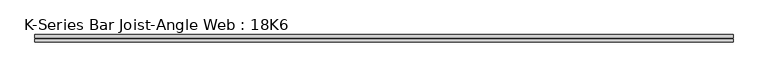
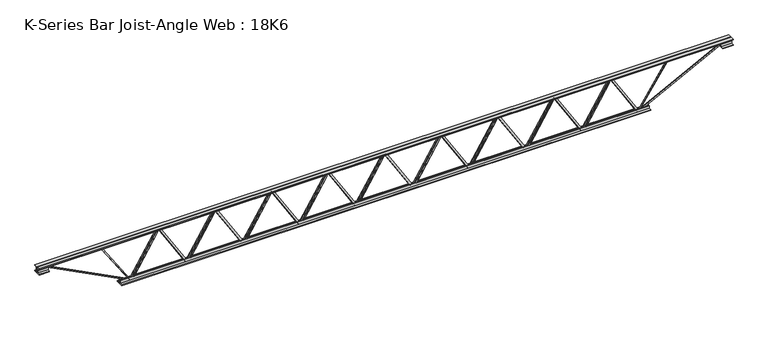
"""IFC4 building model written with IfcOpenShell, lengths in millimetres: beam geometry, K-Series Bar Joist-Angle Web : 18K6."""

from ifc_helpers import new_model, si_unit, frame, origin, place, context, project, spatial, polyline, outline, extrude, faceted_brep, source, transform, mapped, element, save


def k_series_bar_joist_angle_web_18k6_aa55eb6b(model_context):
    return source(origin(), model_context, "Body", "SolidModel", [
        extrude(outline(polyline([(-4.7625, 4.7625), (-4.7625, 0.0), (-17.4625, 0.0), (-17.4625, 4.7625), (-4.7625, 4.7625)])), frame((1916.4548718, 0.0, -190.5), z_axis=(-0.5242332806214118, 0.0, 0.8515746987134554), x_axis=(0.0, -1.0, 0.0)), (0.0, 0.0, 1.0), 447.4064349),
        extrude(outline(polyline([(-225.425, 1949.6263889), (-206.375, 1949.6263889), (-206.375, 1948.5979162), (225.425, 1682.7798606), (225.425, 1664.7583333), (206.375, 1664.7583333), (206.375, 1672.136806), (-225.425, 1937.9548616), (-225.425, 1949.6263889)])), frame((0.0, 0.0, 0.0), z_axis=(0.0, 1.0, 0.0), x_axis=(0.0, 0.0, 1.0)), (0.0, 0.0, 1.0), 4.7625),
        faceted_brep([(1392.5902778, 0.0, -206.375), (1392.5902778, 0.0, -225.425), (1392.5902778, -4.7625, -225.425), (1392.5902778, -4.7625, -206.375), (1393.6187505, 0.0, -206.375), (1659.436806, 0.0, 225.425), (1677.4583333, 0.0, 225.425), (1677.4583333, 0.0, 206.375), (1670.0798606, 0.0, 206.375), (1404.2618051, 0.0, -225.425), (1404.2618051, -4.7625, -225.425), (1425.7617949, -4.7625, -190.5), (1421.7061704, -4.7625, -188.003339), (1656.2515135, -4.7625, 192.996661), (1660.307138, -4.7625, 190.5), (1670.0798606, -4.7625, 206.375), (1677.4583333, -4.7625, 206.375), (1677.4583333, -4.7625, 225.425), (1659.436806, -4.7625, 225.425), (1393.6187505, -4.7625, -206.375), (1660.307138, -17.4625, 190.5), (1425.7617949, -17.4625, -190.5), (1421.7061704, -17.4625, -188.003339), (1656.2515135, -17.4625, 192.996661)], [[[0, 1, 2, 3]], [[1, 0, 4, 5, 6, 7, 8, 9]], [[2, 1, 9, 10]], [[3, 2, 10, 11, 12, 13, 14, 15, 16, 17, 18, 19]], [[0, 3, 19, 4]], [[9, 8, 15, 14, 20, 21, 11, 10]], [[5, 4, 19, 18]], [[7, 6, 17, 16]], [[8, 7, 16, 15]], [[6, 5, 18, 17]], [[21, 22, 12, 11]], [[20, 14, 13, 23]], [[22, 21, 20, 23]], [[12, 22, 23, 13]]]),
        extrude(outline(polyline([(-4.7625, 4.7625), (-4.7625, 0.0), (-17.4625, 0.0), (-17.4625, 4.7625), (-4.7625, 4.7625)])), frame((1359.4187607, 0.0, -190.5), z_axis=(-0.5242332806214118, 0.0, 0.8515746987134554), x_axis=(0.0, -1.0, 0.0)), (0.0, 0.0, 1.0), 447.4064349),
        extrude(outline(polyline([(-225.425, 1392.5902778), (-206.375, 1392.5902778), (-206.375, 1391.5618051), (225.425, 1125.7437495), (225.425, 1107.7222222), (206.375, 1107.7222222), (206.375, 1115.1006949), (-225.425, 1380.9187505), (-225.425, 1392.5902778)])), frame((0.0, 0.0, 0.0), z_axis=(0.0, 1.0, 0.0), x_axis=(0.0, 0.0, 1.0)), (0.0, 0.0, 1.0), 4.7625),
        faceted_brep([(835.5541667, 0.0, -206.375), (835.5541667, 0.0, -225.425), (835.5541667, -4.7625, -225.425), (835.5541667, -4.7625, -206.375), (836.5826394, 0.0, -206.375), (1102.4006949, 0.0, 225.425), (1120.4222222, 0.0, 225.425), (1120.4222222, 0.0, 206.375), (1113.0437495, 0.0, 206.375), (847.225694, 0.0, -225.425), (847.225694, -4.7625, -225.425), (868.7256837, -4.7625, -190.5), (864.6700592, -4.7625, -188.003339), (1099.2154024, -4.7625, 192.996661), (1103.2710269, -4.7625, 190.5), (1113.0437495, -4.7625, 206.375), (1120.4222222, -4.7625, 206.375), (1120.4222222, -4.7625, 225.425), (1102.4006949, -4.7625, 225.425), (836.5826394, -4.7625, -206.375), (1103.2710269, -17.4625, 190.5), (868.7256837, -17.4625, -190.5), (864.6700592, -17.4625, -188.003339), (1099.2154024, -17.4625, 192.996661)], [[[0, 1, 2, 3]], [[1, 0, 4, 5, 6, 7, 8, 9]], [[2, 1, 9, 10]], [[3, 2, 10, 11, 12, 13, 14, 15, 16, 17, 18, 19]], [[0, 3, 19, 4]], [[9, 8, 15, 14, 20, 21, 11, 10]], [[5, 4, 19, 18]], [[7, 6, 17, 16]], [[8, 7, 16, 15]], [[6, 5, 18, 17]], [[21, 22, 12, 11]], [[20, 14, 13, 23]], [[22, 21, 20, 23]], [[12, 22, 23, 13]]]),
        extrude(outline(polyline([(-4.7625, 4.7625), (-4.7625, 0.0), (-17.4625, 0.0), (-17.4625, 4.7625), (-4.7625, 4.7625)])), frame((802.3826496, 0.0, -190.5), z_axis=(-0.5242332806214118, 0.0, 0.8515746987134554), x_axis=(0.0, -1.0, 0.0)), (0.0, 0.0, 1.0), 447.4064349),
        extrude(outline(polyline([(-225.425, 835.5541667), (-206.375, 835.5541667), (-206.375, 834.525694), (225.425, 568.7076384), (225.425, 550.6861111), (206.375, 550.6861111), (206.375, 558.0645838), (-225.425, 823.8826394), (-225.425, 835.5541667)])), frame((0.0, 0.0, 0.0), z_axis=(0.0, 1.0, 0.0), x_axis=(0.0, 0.0, 1.0)), (0.0, 0.0, 1.0), 4.7625),
        faceted_brep([(278.5180556, 0.0, -206.375), (278.5180556, 0.0, -225.425), (278.5180556, -4.7625, -225.425), (278.5180556, -4.7625, -206.375), (279.5465283, 0.0, -206.375), (545.3645838, 0.0, 225.425), (563.3861111, 0.0, 225.425), (563.3861111, 0.0, 206.375), (556.0076384, 0.0, 206.375), (290.1895828, 0.0, -225.425), (290.1895828, -4.7625, -225.425), (311.6895726, -4.7625, -190.5), (307.6339481, -4.7625, -188.003339), (542.1792913, -4.7625, 192.996661), (546.2349158, -4.7625, 190.5), (556.0076384, -4.7625, 206.375), (563.3861111, -4.7625, 206.375), (563.3861111, -4.7625, 225.425), (545.3645838, -4.7625, 225.425), (279.5465283, -4.7625, -206.375), (546.2349158, -17.4625, 190.5), (311.6895726, -17.4625, -190.5), (307.6339481, -17.4625, -188.003339), (542.1792913, -17.4625, 192.996661)], [[[0, 1, 2, 3]], [[1, 0, 4, 5, 6, 7, 8, 9]], [[2, 1, 9, 10]], [[3, 2, 10, 11, 12, 13, 14, 15, 16, 17, 18, 19]], [[0, 3, 19, 4]], [[9, 8, 15, 14, 20, 21, 11, 10]], [[5, 4, 19, 18]], [[7, 6, 17, 16]], [[8, 7, 16, 15]], [[6, 5, 18, 17]], [[21, 22, 12, 11]], [[20, 14, 13, 23]], [[22, 21, 20, 23]], [[12, 22, 23, 13]]]),
        extrude(outline(polyline([(-4.7625, 4.7625), (-4.7625, 0.0), (-17.4625, 0.0), (-17.4625, 4.7625), (-4.7625, 4.7625)])), frame((245.3465385, 0.0, -190.5), z_axis=(-0.5242332806214118, 0.0, 0.8515746987134554), x_axis=(0.0, -1.0, 0.0)), (0.0, 0.0, 1.0), 447.4064349),
        extrude(outline(polyline([(-225.425, 278.5180556), (-206.375, 278.5180556), (-206.375, 277.4895828), (225.425, 11.6715273), (225.425, -6.35), (206.375, -6.35), (206.375, 1.0284727), (-225.425, 266.8465283), (-225.425, 278.5180556)])), frame((0.0, 0.0, 0.0), z_axis=(0.0, 1.0, 0.0), x_axis=(0.0, 0.0, 1.0)), (0.0, 0.0, 1.0), 4.7625),
        faceted_brep([(-278.5180556, 0.0, -206.375), (-278.5180556, 0.0, -225.425), (-278.5180556, -4.7625, -225.425), (-278.5180556, -4.7625, -206.375), (-277.4895828, 0.0, -206.375), (-11.6715273, 0.0, 225.425), (6.35, 0.0, 225.425), (6.35, 0.0, 206.375), (-1.0284727, 0.0, 206.375), (-266.8465283, 0.0, -225.425), (-266.8465283, -4.7625, -225.425), (-245.3465385, -4.7625, -190.5), (-249.402163, -4.7625, -188.003339), (-14.8568198, -4.7625, 192.996661), (-10.8011953, -4.7625, 190.5), (-1.0284727, -4.7625, 206.375), (6.35, -4.7625, 206.375), (6.35, -4.7625, 225.425), (-11.6715273, -4.7625, 225.425), (-277.4895828, -4.7625, -206.375), (-10.8011953, -17.4625, 190.5), (-245.3465385, -17.4625, -190.5), (-249.402163, -17.4625, -188.003339), (-14.8568198, -17.4625, 192.996661)], [[[0, 1, 2, 3]], [[1, 0, 4, 5, 6, 7, 8, 9]], [[2, 1, 9, 10]], [[3, 2, 10, 11, 12, 13, 14, 15, 16, 17, 18, 19]], [[0, 3, 19, 4]], [[9, 8, 15, 14, 20, 21, 11, 10]], [[5, 4, 19, 18]], [[7, 6, 17, 16]], [[8, 7, 16, 15]], [[6, 5, 18, 17]], [[21, 22, 12, 11]], [[20, 14, 13, 23]], [[22, 21, 20, 23]], [[12, 22, 23, 13]]]),
        extrude(outline(polyline([(-4.7625, 4.7625), (-4.7625, 0.0), (-17.4625, 0.0), (-17.4625, 4.7625), (-4.7625, 4.7625)])), frame((-311.6895726, 0.0, -190.5), z_axis=(-0.5242332806214118, 0.0, 0.8515746987134554), x_axis=(0.0, -1.0, 0.0)), (0.0, 0.0, 1.0), 447.4064349),
        extrude(outline(polyline([(-225.425, -278.5180556), (-206.375, -278.5180556), (-206.375, -279.5465283), (225.425, -545.3645838), (225.425, -563.3861111), (206.375, -563.3861111), (206.375, -556.0076384), (-225.425, -290.1895828), (-225.425, -278.5180556)])), frame((0.0, 0.0, 0.0), z_axis=(0.0, 1.0, 0.0), x_axis=(0.0, 0.0, 1.0)), (0.0, 0.0, 1.0), 4.7625),
        faceted_brep([(-835.5541667, 0.0, -206.375), (-835.5541667, 0.0, -225.425), (-835.5541667, -4.7625, -225.425), (-835.5541667, -4.7625, -206.375), (-834.525694, 0.0, -206.375), (-568.7076384, 0.0, 225.425), (-550.6861111, 0.0, 225.425), (-550.6861111, 0.0, 206.375), (-558.0645838, 0.0, 206.375), (-823.8826394, 0.0, -225.425), (-823.8826394, -4.7625, -225.425), (-802.3826496, -4.7625, -190.5), (-806.4382741, -4.7625, -188.003339), (-571.892931, -4.7625, 192.996661), (-567.8373064, -4.7625, 190.5), (-558.0645838, -4.7625, 206.375), (-550.6861111, -4.7625, 206.375), (-550.6861111, -4.7625, 225.425), (-568.7076384, -4.7625, 225.425), (-834.525694, -4.7625, -206.375), (-567.8373064, -17.4625, 190.5), (-802.3826496, -17.4625, -190.5), (-806.4382741, -17.4625, -188.003339), (-571.892931, -17.4625, 192.996661)], [[[0, 1, 2, 3]], [[1, 0, 4, 5, 6, 7, 8, 9]], [[2, 1, 9, 10]], [[3, 2, 10, 11, 12, 13, 14, 15, 16, 17, 18, 19]], [[0, 3, 19, 4]], [[9, 8, 15, 14, 20, 21, 11, 10]], [[5, 4, 19, 18]], [[7, 6, 17, 16]], [[8, 7, 16, 15]], [[6, 5, 18, 17]], [[21, 22, 12, 11]], [[20, 14, 13, 23]], [[22, 21, 20, 23]], [[12, 22, 23, 13]]]),
        extrude(outline(polyline([(-4.7625, 4.7625), (-4.7625, 0.0), (-17.4625, 0.0), (-17.4625, 4.7625), (-4.7625, 4.7625)])), frame((-868.7256837, 0.0, -190.5), z_axis=(-0.5242332806214118, 0.0, 0.8515746987134554), x_axis=(0.0, -1.0, 0.0)), (0.0, 0.0, 1.0), 447.4064349),
        extrude(outline(polyline([(-225.425, -835.5541667), (-206.375, -835.5541667), (-206.375, -836.5826394), (225.425, -1102.4006949), (225.425, -1120.4222222), (206.375, -1120.4222222), (206.375, -1113.0437495), (-225.425, -847.225694), (-225.425, -835.5541667)])), frame((0.0, 0.0, 0.0), z_axis=(0.0, 1.0, 0.0), x_axis=(0.0, 0.0, 1.0)), (0.0, 0.0, 1.0), 4.7625),
        faceted_brep([(-1392.5902778, 0.0, -206.375), (-1392.5902778, 0.0, -225.425), (-1392.5902778, -4.7625, -225.425), (-1392.5902778, -4.7625, -206.375), (-1391.5618051, 0.0, -206.375), (-1125.7437495, 0.0, 225.425), (-1107.7222222, 0.0, 225.425), (-1107.7222222, 0.0, 206.375), (-1115.1006949, 0.0, 206.375), (-1380.9187505, 0.0, -225.425), (-1380.9187505, -4.7625, -225.425), (-1359.4187607, -4.7625, -190.5), (-1363.4743852, -4.7625, -188.003339), (-1128.9290421, -4.7625, 192.996661), (-1124.8734176, -4.7625, 190.5), (-1115.1006949, -4.7625, 206.375), (-1107.7222222, -4.7625, 206.375), (-1107.7222222, -4.7625, 225.425), (-1125.7437495, -4.7625, 225.425), (-1391.5618051, -4.7625, -206.375), (-1124.8734176, -17.4625, 190.5), (-1359.4187607, -17.4625, -190.5), (-1363.4743852, -17.4625, -188.003339), (-1128.9290421, -17.4625, 192.996661)], [[[0, 1, 2, 3]], [[1, 0, 4, 5, 6, 7, 8, 9]], [[2, 1, 9, 10]], [[3, 2, 10, 11, 12, 13, 14, 15, 16, 17, 18, 19]], [[0, 3, 19, 4]], [[9, 8, 15, 14, 20, 21, 11, 10]], [[5, 4, 19, 18]], [[7, 6, 17, 16]], [[8, 7, 16, 15]], [[6, 5, 18, 17]], [[21, 22, 12, 11]], [[20, 14, 13, 23]], [[22, 21, 20, 23]], [[12, 22, 23, 13]]]),
        extrude(outline(polyline([(-4.7625, 4.7625), (-4.7625, 0.0), (-17.4625, 0.0), (-17.4625, 4.7625), (-4.7625, 4.7625)])), frame((-1425.7617949, 0.0, -190.5), z_axis=(-0.5242332806214118, 0.0, 0.8515746987134554), x_axis=(0.0, -1.0, 0.0)), (0.0, 0.0, 1.0), 447.4064349),
        extrude(outline(polyline([(-225.425, -1392.5902778), (-206.375, -1392.5902778), (-206.375, -1393.6187505), (225.425, -1659.436806), (225.425, -1677.4583333), (206.375, -1677.4583333), (206.375, -1670.0798606), (-225.425, -1404.2618051), (-225.425, -1392.5902778)])), frame((0.0, 0.0, 0.0), z_axis=(0.0, 1.0, 0.0), x_axis=(0.0, 0.0, 1.0)), (0.0, 0.0, 1.0), 4.7625),
        faceted_brep([(-1949.6263889, 0.0, -206.375), (-1949.6263889, 0.0, -225.425), (-1949.6263889, -4.7625, -225.425), (-1949.6263889, -4.7625, -206.375), (-1948.5979162, 0.0, -206.375), (-1682.7798606, 0.0, 225.425), (-1664.7583333, 0.0, 225.425), (-1664.7583333, 0.0, 206.375), (-1672.136806, 0.0, 206.375), (-1937.9548616, 0.0, -225.425), (-1937.9548616, -4.7625, -225.425), (-1916.4548718, -4.7625, -190.5), (-1920.5104963, -4.7625, -188.003339), (-1685.9651532, -4.7625, 192.996661), (-1681.9095287, -4.7625, 190.5), (-1672.136806, -4.7625, 206.375), (-1664.7583333, -4.7625, 206.375), (-1664.7583333, -4.7625, 225.425), (-1682.7798606, -4.7625, 225.425), (-1948.5979162, -4.7625, -206.375), (-1681.9095287, -17.4625, 190.5), (-1916.4548718, -17.4625, -190.5), (-1920.5104963, -17.4625, -188.003339), (-1685.9651532, -17.4625, 192.996661)], [[[0, 1, 2, 3]], [[1, 0, 4, 5, 6, 7, 8, 9]], [[2, 1, 9, 10]], [[3, 2, 10, 11, 12, 13, 14, 15, 16, 17, 18, 19]], [[0, 3, 19, 4]], [[9, 8, 15, 14, 20, 21, 11, 10]], [[5, 4, 19, 18]], [[7, 6, 17, 16]], [[8, 7, 16, 15]], [[6, 5, 18, 17]], [[21, 22, 12, 11]], [[20, 14, 13, 23]], [[22, 21, 20, 23]], [[12, 22, 23, 13]]]),
        extrude(outline(polyline([(-4.7625, 4.7625), (-4.7625, 0.0), (-17.4625, 0.0), (-17.4625, 4.7625), (-4.7625, 4.7625)])), frame((2473.4909829, 0.0, -190.5), z_axis=(-0.5242332806214118, 0.0, 0.8515746987134554), x_axis=(0.0, -1.0, 0.0)), (0.0, 0.0, 1.0), 447.4064349),
        extrude(outline(polyline([(-225.425, 2506.6625), (-206.375, 2506.6625), (-206.375, 2505.6340273), (225.425, 2239.8159717), (225.425, 2221.7944444), (206.375, 2221.7944444), (206.375, 2229.1729172), (-225.425, 2494.9909727), (-225.425, 2506.6625)])), frame((0.0, 0.0, 0.0), z_axis=(0.0, 1.0, 0.0), x_axis=(0.0, 0.0, 1.0)), (0.0, 0.0, 1.0), 4.7625),
        faceted_brep([(1949.6263889, 0.0, -206.375), (1949.6263889, 0.0, -225.425), (1949.6263889, -4.7625, -225.425), (1949.6263889, -4.7625, -206.375), (1950.6548616, 0.0, -206.375), (2216.4729172, 0.0, 225.425), (2234.4944444, 0.0, 225.425), (2234.4944444, 0.0, 206.375), (2227.1159717, 0.0, 206.375), (1961.2979162, 0.0, -225.425), (1961.2979162, -4.7625, -225.425), (1982.797906, -4.7625, -190.5), (1978.7422815, -4.7625, -188.003339), (2213.2876246, -4.7625, 192.996661), (2217.3432491, -4.7625, 190.5), (2227.1159717, -4.7625, 206.375), (2234.4944444, -4.7625, 206.375), (2234.4944444, -4.7625, 225.425), (2216.4729172, -4.7625, 225.425), (1950.6548616, -4.7625, -206.375), (2217.3432491, -17.4625, 190.5), (1982.797906, -17.4625, -190.5), (1978.7422815, -17.4625, -188.003339), (2213.2876246, -17.4625, 192.996661)], [[[0, 1, 2, 3]], [[1, 0, 4, 5, 6, 7, 8, 9]], [[2, 1, 9, 10]], [[3, 2, 10, 11, 12, 13, 14, 15, 16, 17, 18, 19]], [[0, 3, 19, 4]], [[9, 8, 15, 14, 20, 21, 11, 10]], [[5, 4, 19, 18]], [[7, 6, 17, 16]], [[8, 7, 16, 15]], [[6, 5, 18, 17]], [[21, 22, 12, 11]], [[20, 14, 13, 23]], [[22, 21, 20, 23]], [[12, 22, 23, 13]]]),
        extrude(outline(polyline([(-4.7625, 4.7625), (-4.7625, 0.0), (-17.4625, 0.0), (-17.4625, 4.7625), (-4.7625, 4.7625)])), frame((-1982.797906, 0.0, -190.5), z_axis=(-0.5242332806214118, 0.0, 0.8515746987134554), x_axis=(0.0, -1.0, 0.0)), (0.0, 0.0, 1.0), 447.4064349),
        extrude(outline(polyline([(-225.425, -1949.6263889), (-206.375, -1949.6263889), (-206.375, -1950.6548616), (225.425, -2216.4729172), (225.425, -2234.4944444), (206.375, -2234.4944444), (206.375, -2227.1159717), (-225.425, -1961.2979162), (-225.425, -1949.6263889)])), frame((0.0, 0.0, 0.0), z_axis=(0.0, 1.0, 0.0), x_axis=(0.0, 0.0, 1.0)), (0.0, 0.0, 1.0), 4.7625),
        faceted_brep([(-2506.6625, 0.0, -206.375), (-2506.6625, 0.0, -225.425), (-2506.6625, -4.7625, -225.425), (-2506.6625, -4.7625, -206.375), (-2505.6340273, 0.0, -206.375), (-2239.8159717, 0.0, 225.425), (-2221.7944444, 0.0, 225.425), (-2221.7944444, 0.0, 206.375), (-2229.1729172, 0.0, 206.375), (-2494.9909727, 0.0, -225.425), (-2494.9909727, -4.7625, -225.425), (-2473.4909829, -4.7625, -190.5), (-2477.5466074, -4.7625, -188.003339), (-2243.0012643, -4.7625, 192.996661), (-2238.9456398, -4.7625, 190.5), (-2229.1729172, -4.7625, 206.375), (-2221.7944444, -4.7625, 206.375), (-2221.7944444, -4.7625, 225.425), (-2239.8159717, -4.7625, 225.425), (-2505.6340273, -4.7625, -206.375), (-2238.9456398, -17.4625, 190.5), (-2473.4909829, -17.4625, -190.5), (-2477.5466074, -17.4625, -188.003339), (-2243.0012643, -17.4625, 192.996661)], [[[0, 1, 2, 3]], [[1, 0, 4, 5, 6, 7, 8, 9]], [[2, 1, 9, 10]], [[3, 2, 10, 11, 12, 13, 14, 15, 16, 17, 18, 19]], [[0, 3, 19, 4]], [[9, 8, 15, 14, 20, 21, 11, 10]], [[5, 4, 19, 18]], [[7, 6, 17, 16]], [[8, 7, 16, 15]], [[6, 5, 18, 17]], [[21, 22, 12, 11]], [[20, 14, 13, 23]], [[22, 21, 20, 23]], [[12, 22, 23, 13]]]),
        extrude(outline(polyline([(4.7625, 228.6), (36.5125, 228.6), (36.5125, 222.25), (11.1125, 222.25), (11.1125, 196.85), (4.7625, 196.85), (4.7625, 228.6)])), frame((-3421.0625, 0.0, 0.0), z_axis=(1.0, 0.0, 0.0), x_axis=(0.0, 1.0, 0.0)), (0.0, 0.0, 1.0), 6842.125),
        extrude(outline(polyline([(-4.7625, 228.6), (-4.7625, 196.85), (-11.1125, 196.85), (-11.1125, 222.25), (-36.5125, 222.25), (-36.5125, 228.6), (-4.7625, 228.6)])), frame((-3421.0625, 0.0, 0.0), z_axis=(1.0, 0.0, 0.0), x_axis=(0.0, 1.0, 0.0)), (0.0, 0.0, 1.0), 6842.125),
        extrude(outline(polyline([(-4.7625, 165.1), (-36.5125, 165.1), (-36.5125, 171.45), (-11.1125, 171.45), (-11.1125, 196.85), (-4.7625, 196.85), (-4.7625, 165.1)])), frame((-3421.0625, 0.0, 0.0), z_axis=(1.0, 0.0, 0.0), x_axis=(0.0, 1.0, 0.0)), (0.0, 0.0, 1.0), 101.6),
        extrude(outline(polyline([(36.5125, 165.1), (4.7625, 165.1), (4.7625, 196.85), (11.1125, 196.85), (11.1125, 171.45), (36.5125, 171.45), (36.5125, 165.1)])), frame((-3421.0625, 0.0, 0.0), z_axis=(1.0, 0.0, 0.0), x_axis=(0.0, 1.0, 0.0)), (0.0, 0.0, 1.0), 101.6),
        extrude(outline(polyline([(4.7625, 165.1), (4.7625, 196.85), (11.1125, 196.85), (11.1125, 171.45), (36.5125, 171.45), (36.5125, 165.1), (4.7625, 165.1)])), frame((3319.4625, 0.0, 0.0), z_axis=(1.0, 0.0, 0.0), x_axis=(0.0, 1.0, 0.0)), (0.0, 0.0, 1.0), 101.6),
        extrude(outline(polyline([(-4.7625, 165.1), (-36.5125, 165.1), (-36.5125, 171.45), (-11.1125, 171.45), (-11.1125, 196.85), (-4.7625, 196.85), (-4.7625, 165.1)])), frame((3319.4625, 0.0, 0.0), z_axis=(1.0, 0.0, 0.0), x_axis=(0.0, 1.0, 0.0)), (0.0, 0.0, 1.0), 101.6),
        extrude(outline(polyline([(4.7625, -228.6), (4.7625, -196.85), (11.1125, -196.85), (11.1125, -222.25), (36.5125, -222.25), (36.5125, -228.6), (4.7625, -228.6)])), frame((-2608.2625, 0.0, 0.0), z_axis=(1.0, 0.0, 0.0), x_axis=(0.0, 1.0, 0.0)), (0.0, 0.0, 1.0), 5216.525),
        extrude(outline(polyline([(-4.7625, -228.6), (-36.5125, -228.6), (-36.5125, -222.25), (-11.1125, -222.25), (-11.1125, -196.85), (-4.7625, -196.85), (-4.7625, -228.6)])), frame((-2608.2625, 0.0, 0.0), z_axis=(1.0, 0.0, 0.0), x_axis=(0.0, 1.0, 0.0)), (0.0, 0.0, 1.0), 5216.525),
        extrude(outline(polyline([(4.7625, 4.7625), (4.7625, -4.7625), (-4.7625, -4.7625), (-4.7625, 4.7625), (4.7625, 4.7625)])), frame((2506.6625, 0.0, -222.25), z_axis=(0.5534862347246395, 0.0, 0.8328583240685905), x_axis=(0.0, -1.0, 0.0)), (0.0, 0.0, 1.0), 503.2068335),
        extrude(outline(polyline([(4.7625, 4.7625), (4.7625, -4.7625), (-4.7625, -4.7625), (-4.7625, 4.7625), (4.7625, 4.7625)])), frame((-2506.6625, 0.0, -222.25), z_axis=(-0.5534862347246143, 0.0, 0.8328583240686073), x_axis=(0.0, -1.0, 0.0)), (0.0, 0.0, 1.0), 503.2068335),
        extrude(outline(polyline([(0.0, -9.525), (0.0, 0.0), (914.4881902, 0.0), (914.4881902, -9.525), (0.0, -9.525)])), frame((3321.645102, -4.7625, 192.6170749), z_axis=(-0.4582891331946206, 0.0, 0.8888031674086919), x_axis=(-0.8888031674086919, 0.0, -0.4582891331946206)), (0.0, 0.0, 1.0), 9.525),
        extrude(outline(polyline([(0.0, -9.525), (0.0, 0.0), (914.4881902, 0.0), (914.4881902, -9.525), (0.0, -9.525)])), frame((-3321.645102, 4.7625, 192.6170749), z_axis=(0.4582891331946198, 0.0, 0.8888031674086925), x_axis=(0.8888031674086925, 0.0, -0.4582891331946198)), (0.0, 0.0, 1.0), 9.525),
    ])


if __name__ == "__main__":
    model = new_model("IFC4")
    model_context = context("Model", 3, world=origin())
    ifc_project = project(units=[si_unit("LENGTHUNIT", "METRE", prefix="MILLI")], contexts=[model_context])
    site = spatial("IfcSite", under=ifc_project)
    building = spatial("IfcBuilding", under=site)
    placement = place(None, origin())
    k_series_bar_joist_angle_web_18k6_shape = k_series_bar_joist_angle_web_18k6_aa55eb6b(model_context)
    element("IfcBeam", 1, ObjectType="K-Series Bar Joist-Angle Web : 18K6", at=placement, inside=building, context=model_context, shape_type="MappedRepresentation", body=[
        mapped(k_series_bar_joist_angle_web_18k6_shape, transform((0.0, 0.0, 0.0), x_axis=(1.0, 0.0, 0.0), y_axis=(0.0, 1.0, 0.0), z_axis=(0.0, 0.0, 1.0))),
    ])
    save(model, "model.ifc")
